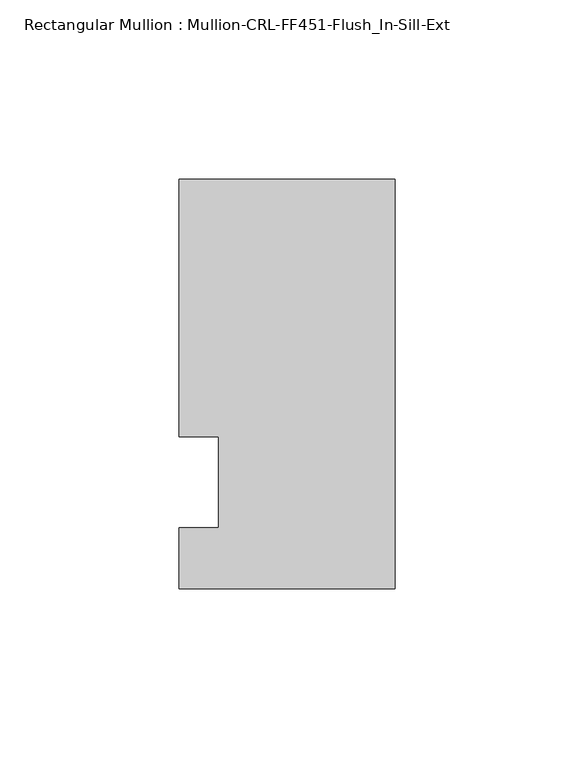
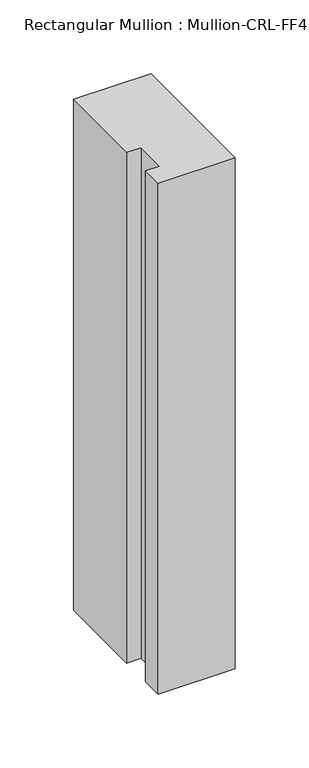
"""IFC4 building model written with IfcOpenShell, lengths in millimetres: member geometry, Rectangular Mullion : Mullion-CRL-FF451-Flush_In-Sill-Ext."""

from ifc_helpers import new_model, si_unit, frame, origin, place, context, project, spatial, polyline, outline, extrude, source, transform, mapped, element, save


def rectangular_mullion_mullion_crl_ff451_flush_in_sill_ext_7c9eecd4(model_context):
    return source(origin(), model_context, "Body", "SweptSolid", [
        extrude(outline(polyline([(-60.325, -29.6696095), (-60.325, -12.7), (-49.222241, -12.7), (-49.222241, 12.7), (-60.325, 12.7), (-60.325, 84.6303905), (0.0, 84.6303905), (0.0, -29.6696095), (-60.325, -29.6696095)])), frame((0.0, 0.0, -422.1154704), z_axis=(0.0, 0.0, 1.0), x_axis=(1.0, 0.0, 0.0)), (0.0, 0.0, 1.0), 422.1154704),
    ])


if __name__ == "__main__":
    model = new_model("IFC4")
    model_context = context("Model", 3, world=origin())
    ifc_project = project(units=[si_unit("LENGTHUNIT", "METRE", prefix="MILLI")], contexts=[model_context])
    site = spatial("IfcSite", under=ifc_project)
    building = spatial("IfcBuilding", under=site)
    placement = place(None, origin())
    rectangular_mullion_mullion_crl_ff451_flush_in_sill_ext_shape = rectangular_mullion_mullion_crl_ff451_flush_in_sill_ext_7c9eecd4(model_context)
    element("IfcMember", 1, ObjectType="Rectangular Mullion : Mullion-CRL-FF451-Flush_In-Sill-Ext", at=placement, inside=building, context=model_context, shape_type="MappedRepresentation", body=[
        mapped(rectangular_mullion_mullion_crl_ff451_flush_in_sill_ext_shape, transform((0.0, 0.0, 0.0), x_axis=(1.0, 0.0, 0.0), y_axis=(0.0, 1.0, 0.0), z_axis=(0.0, 0.0, 1.0))),
    ])
    save(model, "model.ifc")
